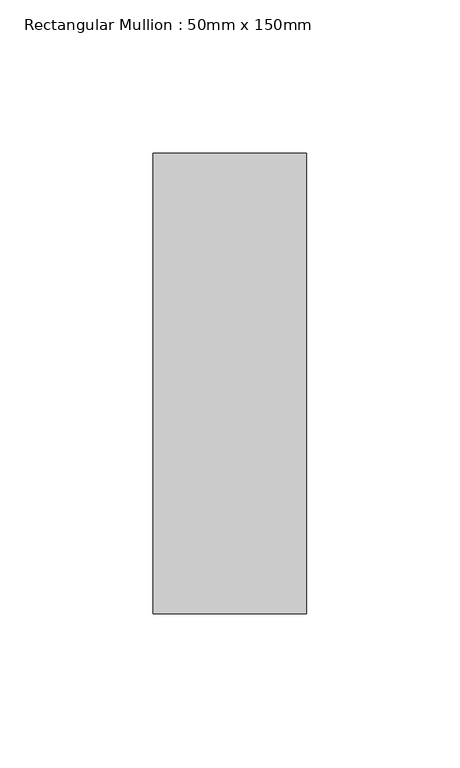
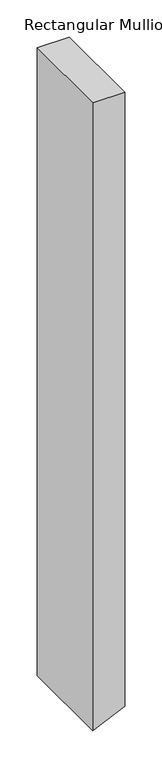
"""IFC4 building model written with IfcOpenShell, lengths in millimetres: member geometry, Rectangular Mullion : 50mm x 150mm."""

import ifcopenshell
import ifcopenshell.guid

model = None  # the IFC model being written
_history = None  # IfcOwnerHistory: only IFC2X3 demands one
_inside = {}  # id of a spatial element -> (the spatial element, [elements in it])
_under = {}  # id of a project, library or spatial element -> (it, [spatial elements below it])
_declared = {}  # id of a project -> (the project, [libraries it declares])
_typed = {}  # id of a type object -> (the type object, [elements of that type])
_made_of = {}  # id of a material, layer set ... -> (it, [elements and type objects made of it])


def new_model(schema):
    """Start an empty IFC model of exactly this schema.

    Asked for "IFC4X3", IfcOpenShell would pick the latest addendum, in which some entities
    have other attributes; the version numbers below select the first issue.
    IFC2X3 requires an IfcOwnerHistory on every rooted entity: one is made here for all.
    """
    global model, _history
    if schema == "IFC4X3":
        model = ifcopenshell.file(schema_version=(4, 3, 0, 0))
    else:
        model = ifcopenshell.file(schema=schema)
    _inside.clear()
    _under.clear()
    _declared.clear()
    _typed.clear()
    _made_of.clear()
    _history = None
    if model.schema == "IFC2X3":
        org = make("IfcOrganization", Name="unknown")
        user = make(
            "IfcPersonAndOrganization",
            ThePerson=make("IfcPerson", FamilyName="unknown"),
            TheOrganization=org,
        )
        app = make(
            "IfcApplication",
            ApplicationDeveloper=org,
            Version="unknown",
            ApplicationFullName="unknown",
            ApplicationIdentifier="unknown",
        )
        _history = make(
            "IfcOwnerHistory",
            OwningUser=user,
            OwningApplication=app,
            ChangeAction="ADDED",
            CreationDate=0,
        )
    return model


def make(cls, **values):
    """One entity of the class cls with the attributes given. An attribute that is None is left unset."""
    return model.create_entity(
        cls, **{name: value for name, value in values.items() if value is not None}
    )


def rooted(cls, **values):
    """An entity with a GlobalId (a new one), such as an element, a storey or a relation."""
    return make(cls, GlobalId=ifcopenshell.guid.new(), OwnerHistory=_history, **values)


def si_unit(unit_type, name, prefix=None):
    """IfcSIUnit, for example si_unit("LENGTHUNIT", "METRE", prefix="MILLI")."""
    return make("IfcSIUnit", UnitType=unit_type, Prefix=prefix, Name=name)


def assignment(units):
    """IfcUnitAssignment: the units of a project."""
    return None if units is None else make("IfcUnitAssignment", Units=units)


def point(xyz):
    """IfcCartesianPoint."""
    return None if xyz is None else make("IfcCartesianPoint", Coordinates=xyz)


def direction(xyz):
    """IfcDirection."""
    return None if xyz is None else make("IfcDirection", DirectionRatios=xyz)


def frame(location, z_axis=None, x_axis=None):
    """IfcAxis2Placement3D, a coordinate frame: its origin and axes. An axis left out is left unset."""
    return make(
        "IfcAxis2Placement3D",
        Location=point(location),
        Axis=direction(z_axis),
        RefDirection=direction(x_axis),
    )


def origin():
    """The frame at (0, 0, 0) with its axes left unset."""
    return frame((0.0, 0.0, 0.0))


def place(relative_to, where):
    """IfcLocalPlacement: puts the frame where relative to a parent placement (None: the world)."""
    return make(
        "IfcLocalPlacement", PlacementRelTo=relative_to, RelativePlacement=where
    )


def context(
    kind, dimensions, precision=None, world=None, true_north=None, identifier=None
):
    """IfcGeometricRepresentationContext, for example the 3D "Model" context."""
    return make(
        "IfcGeometricRepresentationContext",
        ContextIdentifier=identifier,
        ContextType=kind,
        CoordinateSpaceDimension=dimensions,
        Precision=precision,
        WorldCoordinateSystem=world,
        TrueNorth=true_north,
    )


def project(units=None, contexts=None):
    """IfcProject with its units and contexts."""
    return rooted(
        "IfcProject",
        Name="project",
        RepresentationContexts=contexts,
        UnitsInContext=assignment(units),
    )


def spatial(cls, under=None, at=None, **own):
    """A site, building, storey or space (cls), placed at a placement, below another one or the project."""
    s = rooted(cls, ObjectPlacement=at, **own)
    if under is not None:
        _under.setdefault(under.id(), (under, []))[1].append(s)
    return s


def polyline(points):
    """IfcPolyline through the points."""
    return make("IfcPolyline", Points=[point(p) for p in points])


def outline(outer, holes=None, kind="AREA"):
    """IfcArbitraryClosedProfileDef: a profile drawn as a closed curve; with holes, ...WithVoids."""
    if holes is None:
        return make("IfcArbitraryClosedProfileDef", ProfileType=kind, OuterCurve=outer)
    return make(
        "IfcArbitraryProfileDefWithVoids",
        ProfileType=kind,
        OuterCurve=outer,
        InnerCurves=holes,
    )


def extrude(swept, where, along, depth):
    """IfcExtrudedAreaSolid: the profile swept, set in the frame where, extruded along a direction by depth."""
    return make(
        "IfcExtrudedAreaSolid",
        SweptArea=swept,
        Position=where,
        ExtrudedDirection=direction(along),
        Depth=depth,
    )


def shape(context_of_items, identifier, shape_type, items):
    """IfcShapeRepresentation: the items that make up one representation, for example the "Body"."""
    return make(
        "IfcShapeRepresentation",
        ContextOfItems=context_of_items,
        RepresentationIdentifier=identifier,
        RepresentationType=shape_type,
        Items=items,
    )


def source(mapping_origin, context_of_items, identifier, shape_type, items):
    """IfcRepresentationMap: a shape defined once, which mapped items show again and again."""
    return make(
        "IfcRepresentationMap",
        MappingOrigin=mapping_origin,
        MappedRepresentation=shape(context_of_items, identifier, shape_type, items),
    )


def transform(
    local_origin,
    x_axis=None,
    y_axis=None,
    z_axis=None,
    scale=None,
    scale2=None,
    scale3=None,
    uniform=True,
):
    """IfcCartesianTransformationOperator3D, or its non-uniform kind. x_axis, y_axis, z_axis: its Axis1, 2, 3."""
    if uniform:
        return make(
            "IfcCartesianTransformationOperator3D",
            Axis1=direction(x_axis),
            Axis2=direction(y_axis),
            LocalOrigin=point(local_origin),
            Scale=scale,
            Axis3=direction(z_axis),
        )
    return make(
        "IfcCartesianTransformationOperator3DnonUniform",
        Axis1=direction(x_axis),
        Axis2=direction(y_axis),
        LocalOrigin=point(local_origin),
        Scale=scale,
        Axis3=direction(z_axis),
        Scale2=scale2,
        Scale3=scale3,
    )


def mapped(mapping_source, mapping_target):
    """IfcMappedItem: shows the shape of a source again, moved by a transform."""
    return make(
        "IfcMappedItem", MappingSource=mapping_source, MappingTarget=mapping_target
    )


def made_of(thing, what):
    """Note that an element or type object is made of a material, layer set ...; save() writes the relation."""
    if what is not None:
        _made_of.setdefault(what.id(), (what, []))[1].append(thing)
    return thing


def element(
    cls,
    number,
    at=None,
    inside=None,
    cuts=None,
    type_object=None,
    material=None,
    context=None,
    identifier="Body",
    shape_type=None,
    held_by="IfcProductDefinitionShape",
    body=None,
    shapes=None,
    **own,
):
    """One element of the class cls, such as IfcWall. Its Tag is "e" and its number.

    at: its placement. inside: the storey or other place that contains it. cuts: it is an
    opening in that element (IfcRelVoidsElement). A single representation is given by context,
    identifier, shape_type and body (its items); several are given by shapes. held_by: the class
    of the entity that holds the representations. save() writes the other relations.
    """
    e = rooted(cls, Tag="e%d" % number, ObjectPlacement=at, **own)
    if body is not None:
        shapes = [shape(context, identifier, shape_type, body)]
    if shapes is not None:
        e.Representation = make(held_by, Representations=shapes)
    if inside is not None:
        _inside.setdefault(inside.id(), (inside, []))[1].append(e)
    if cuts is not None:
        rooted(
            "IfcRelVoidsElement", RelatingBuildingElement=cuts, RelatedOpeningElement=e
        )
    if type_object is not None:
        _typed.setdefault(type_object.id(), (type_object, []))[1].append(e)
    return made_of(e, material)


def aggregate(whole, parts):
    """IfcRelAggregates: a whole, such as a stair, and the parts it consists of."""
    return rooted("IfcRelAggregates", RelatingObject=whole, RelatedObjects=parts)


def save(model, path):
    """Write the relations noted so far, then the file.

    IfcRelAggregates (storeys below a building ...), IfcRelContainedInSpatialStructure (elements
    in a storey), IfcRelDefinesByType, IfcRelAssociatesMaterial and IfcRelDeclares: one each for
    every whole, place, type object, material and project.
    """
    for whole, parts in _under.values():
        aggregate(whole, parts)
    for where, things in _inside.values():
        rooted(
            "IfcRelContainedInSpatialStructure",
            RelatedElements=things,
            RelatingStructure=where,
        )
    for kind, things in _typed.values():
        rooted("IfcRelDefinesByType", RelatedObjects=things, RelatingType=kind)
    for what, things in _made_of.values():
        rooted("IfcRelAssociatesMaterial", RelatedObjects=things, RelatingMaterial=what)
    for by, libraries in _declared.values():
        rooted("IfcRelDeclares", RelatingContext=by, RelatedDefinitions=libraries)
    model.write(path)


def rectangular_mullion_50mm_x_150mm_87c56050(model_context):
    return source(origin(), model_context, "Body", "SweptSolid", [
        extrude(outline(polyline([(0.0, 25.0), (0.0, -25.0), (-1034.2614897, -25.0), (-1032.424993, -21.0411824), (-1011.0664755, 25.0), (0.0, 25.0)])), frame((0.0, -75.0, 0.0), z_axis=(0.0, 1.0, 0.0), x_axis=(0.0, 0.0, 1.0)), (0.0, 0.0, 1.0), 150.0),
    ])


if __name__ == "__main__":
    model = new_model("IFC4")
    model_context = context("Model", 3, world=origin())
    ifc_project = project(units=[si_unit("LENGTHUNIT", "METRE", prefix="MILLI")], contexts=[model_context])
    site = spatial("IfcSite", under=ifc_project)
    building = spatial("IfcBuilding", under=site)
    placement = place(None, origin())
    rectangular_mullion_50mm_x_150mm_shape = rectangular_mullion_50mm_x_150mm_87c56050(model_context)
    element("IfcMember", 1, ObjectType="Rectangular Mullion : 50mm x 150mm", at=placement, inside=building, context=model_context, shape_type="MappedRepresentation", body=[
        mapped(rectangular_mullion_50mm_x_150mm_shape, transform((0.0, 0.0, 0.0), x_axis=(1.0, 0.0, 0.0), y_axis=(0.0, 1.0, 0.0), z_axis=(0.0, 0.0, 1.0))),
    ])
    save(model, "model.ifc")
